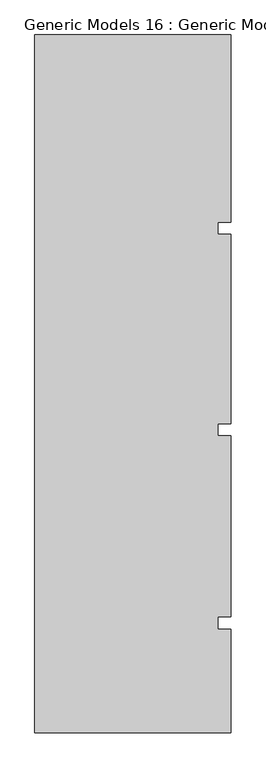
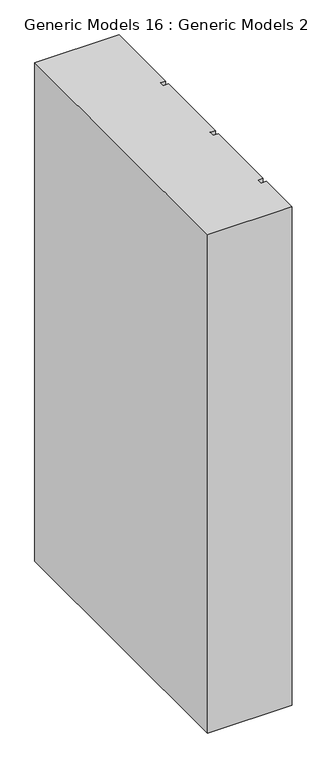
"""IFC4 building model written with IfcOpenShell, lengths in millimetres: proxy geometry, Generic Models 16 : Generic Models 2."""

from ifc_helpers import new_model, si_unit, frame, origin, place, context, project, spatial, polyline, outline, extrude, source, transform, mapped, element, save


def generic_models_16_generic_models_2_f3f16885(model_context):
    return source(origin(), model_context, "Body", "SweptSolid", [
        extrude(outline(polyline([(6158.9891931, -239.4418036), (6646.0314083, -239.4418036), (6646.0314083, -703.851216), (6614.3889077, -703.851216), (6614.3889077, -733.8846489), (6646.0314083, -733.8846489), (6646.0314083, -1203.851216), (6614.3889077, -1203.851216), (6614.3889077, -1233.8846489), (6646.0314083, -1233.8846489), (6646.0314083, -1683.851216), (6614.3889077, -1683.851216), (6614.3889077, -1713.8846489), (6646.0314083, -1713.8846489), (6646.0314083, -1971.439837), (6158.9891931, -1971.439837), (6158.9891931, -239.4418036)])), frame((0.0, 0.0, 6000.0), z_axis=(0.0, 0.0, 1.0), x_axis=(1.0, 0.0, 0.0)), (0.0, 0.0, 1.0), 3044.7067261),
    ])


if __name__ == "__main__":
    model = new_model("IFC4")
    model_context = context("Model", 3, world=origin())
    ifc_project = project(units=[si_unit("LENGTHUNIT", "METRE", prefix="MILLI")], contexts=[model_context])
    site = spatial("IfcSite", under=ifc_project)
    building = spatial("IfcBuilding", under=site)
    placement = place(None, origin())
    generic_models_16_generic_models_2_shape = generic_models_16_generic_models_2_f3f16885(model_context)
    element("IfcBuildingElementProxy", 1, Name="Generic Models 16 : Generic Models 2", ObjectType="Generic Models 16 : Generic Models 2", at=placement, inside=building, context=model_context, shape_type="MappedRepresentation", body=[
        mapped(generic_models_16_generic_models_2_shape, transform((0.0, 0.0, 0.0), x_axis=(1.0, 0.0, 0.0), y_axis=(0.0, 1.0, 0.0), z_axis=(0.0, 0.0, 1.0))),
    ])
    save(model, "model.ifc")
